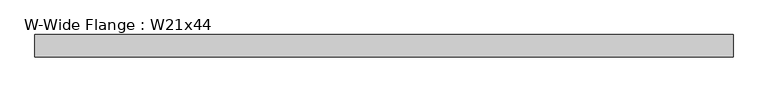
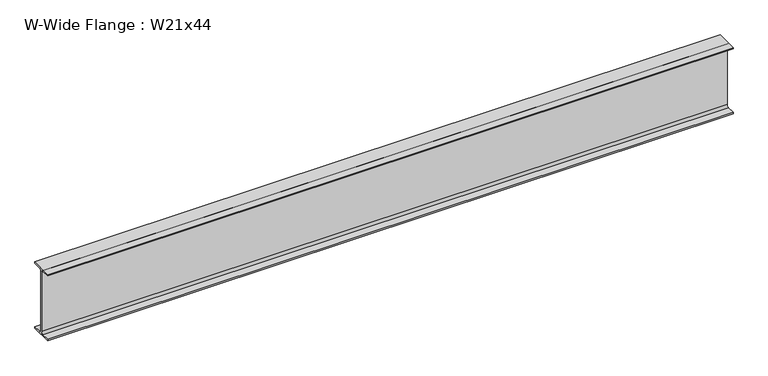
"""IFC4 building model written with IfcOpenShell, lengths in millimetres: beam geometry, W-Wide Flange : W21x44."""

import ifcopenshell
import ifcopenshell.guid

model = None  # the IFC model being written
_history = None  # IfcOwnerHistory: only IFC2X3 demands one
_inside = {}  # id of a spatial element -> (the spatial element, [elements in it])
_under = {}  # id of a project, library or spatial element -> (it, [spatial elements below it])
_declared = {}  # id of a project -> (the project, [libraries it declares])
_typed = {}  # id of a type object -> (the type object, [elements of that type])
_made_of = {}  # id of a material, layer set ... -> (it, [elements and type objects made of it])


def new_model(schema):
    """Start an empty IFC model of exactly this schema.

    Asked for "IFC4X3", IfcOpenShell would pick the latest addendum, in which some entities
    have other attributes; the version numbers below select the first issue.
    IFC2X3 requires an IfcOwnerHistory on every rooted entity: one is made here for all.
    """
    global model, _history
    if schema == "IFC4X3":
        model = ifcopenshell.file(schema_version=(4, 3, 0, 0))
    else:
        model = ifcopenshell.file(schema=schema)
    _inside.clear()
    _under.clear()
    _declared.clear()
    _typed.clear()
    _made_of.clear()
    _history = None
    if model.schema == "IFC2X3":
        org = make("IfcOrganization", Name="unknown")
        user = make(
            "IfcPersonAndOrganization",
            ThePerson=make("IfcPerson", FamilyName="unknown"),
            TheOrganization=org,
        )
        app = make(
            "IfcApplication",
            ApplicationDeveloper=org,
            Version="unknown",
            ApplicationFullName="unknown",
            ApplicationIdentifier="unknown",
        )
        _history = make(
            "IfcOwnerHistory",
            OwningUser=user,
            OwningApplication=app,
            ChangeAction="ADDED",
            CreationDate=0,
        )
    return model


def make(cls, **values):
    """One entity of the class cls with the attributes given. An attribute that is None is left unset."""
    return model.create_entity(
        cls, **{name: value for name, value in values.items() if value is not None}
    )


def rooted(cls, **values):
    """An entity with a GlobalId (a new one), such as an element, a storey or a relation."""
    return make(cls, GlobalId=ifcopenshell.guid.new(), OwnerHistory=_history, **values)


def si_unit(unit_type, name, prefix=None):
    """IfcSIUnit, for example si_unit("LENGTHUNIT", "METRE", prefix="MILLI")."""
    return make("IfcSIUnit", UnitType=unit_type, Prefix=prefix, Name=name)


def assignment(units):
    """IfcUnitAssignment: the units of a project."""
    return None if units is None else make("IfcUnitAssignment", Units=units)


def point(xyz):
    """IfcCartesianPoint."""
    return None if xyz is None else make("IfcCartesianPoint", Coordinates=xyz)


def direction(xyz):
    """IfcDirection."""
    return None if xyz is None else make("IfcDirection", DirectionRatios=xyz)


def frame(location, z_axis=None, x_axis=None):
    """IfcAxis2Placement3D, a coordinate frame: its origin and axes. An axis left out is left unset."""
    return make(
        "IfcAxis2Placement3D",
        Location=point(location),
        Axis=direction(z_axis),
        RefDirection=direction(x_axis),
    )


def frame_2d(location, x_axis=None):
    """IfcAxis2Placement2D, a coordinate frame in the plane: its origin and x axis."""
    return make(
        "IfcAxis2Placement2D", Location=point(location), RefDirection=direction(x_axis)
    )


def origin():
    """The frame at (0, 0, 0) with its axes left unset."""
    return frame((0.0, 0.0, 0.0))


def place(relative_to, where):
    """IfcLocalPlacement: puts the frame where relative to a parent placement (None: the world)."""
    return make(
        "IfcLocalPlacement", PlacementRelTo=relative_to, RelativePlacement=where
    )


def context(
    kind, dimensions, precision=None, world=None, true_north=None, identifier=None
):
    """IfcGeometricRepresentationContext, for example the 3D "Model" context."""
    return make(
        "IfcGeometricRepresentationContext",
        ContextIdentifier=identifier,
        ContextType=kind,
        CoordinateSpaceDimension=dimensions,
        Precision=precision,
        WorldCoordinateSystem=world,
        TrueNorth=true_north,
    )


def project(units=None, contexts=None):
    """IfcProject with its units and contexts."""
    return rooted(
        "IfcProject",
        Name="project",
        RepresentationContexts=contexts,
        UnitsInContext=assignment(units),
    )


def spatial(cls, under=None, at=None, **own):
    """A site, building, storey or space (cls), placed at a placement, below another one or the project."""
    s = rooted(cls, ObjectPlacement=at, **own)
    if under is not None:
        _under.setdefault(under.id(), (under, []))[1].append(s)
    return s


def polyline(points):
    """IfcPolyline through the points."""
    return make("IfcPolyline", Points=[point(p) for p in points])


def circle_curve(where, radius):
    """IfcCircle in the frame where."""
    return make("IfcCircle", Position=where, Radius=radius)


def trimmed(basis, trim1, trim2, sense, master):
    """IfcTrimmedCurve: the piece of a basis curve between two trims."""
    return make(
        "IfcTrimmedCurve",
        BasisCurve=basis,
        Trim1=trim1,
        Trim2=trim2,
        SenseAgreement=sense,
        MasterRepresentation=master,
    )


def segment(curve, same_sense, transition):
    """IfcCompositeCurveSegment."""
    return make(
        "IfcCompositeCurveSegment",
        Transition=transition,
        SameSense=same_sense,
        ParentCurve=curve,
    )


def composite_curve(segments, self_intersect=None):
    """IfcCompositeCurve: segments joined end to end."""
    return make("IfcCompositeCurve", Segments=segments, SelfIntersect=self_intersect)


def outline(outer, holes=None, kind="AREA"):
    """IfcArbitraryClosedProfileDef: a profile drawn as a closed curve; with holes, ...WithVoids."""
    if holes is None:
        return make("IfcArbitraryClosedProfileDef", ProfileType=kind, OuterCurve=outer)
    return make(
        "IfcArbitraryProfileDefWithVoids",
        ProfileType=kind,
        OuterCurve=outer,
        InnerCurves=holes,
    )


def extrude(swept, where, along, depth):
    """IfcExtrudedAreaSolid: the profile swept, set in the frame where, extruded along a direction by depth."""
    return make(
        "IfcExtrudedAreaSolid",
        SweptArea=swept,
        Position=where,
        ExtrudedDirection=direction(along),
        Depth=depth,
    )


def shape(context_of_items, identifier, shape_type, items):
    """IfcShapeRepresentation: the items that make up one representation, for example the "Body"."""
    return make(
        "IfcShapeRepresentation",
        ContextOfItems=context_of_items,
        RepresentationIdentifier=identifier,
        RepresentationType=shape_type,
        Items=items,
    )


def source(mapping_origin, context_of_items, identifier, shape_type, items):
    """IfcRepresentationMap: a shape defined once, which mapped items show again and again."""
    return make(
        "IfcRepresentationMap",
        MappingOrigin=mapping_origin,
        MappedRepresentation=shape(context_of_items, identifier, shape_type, items),
    )


def transform(
    local_origin,
    x_axis=None,
    y_axis=None,
    z_axis=None,
    scale=None,
    scale2=None,
    scale3=None,
    uniform=True,
):
    """IfcCartesianTransformationOperator3D, or its non-uniform kind. x_axis, y_axis, z_axis: its Axis1, 2, 3."""
    if uniform:
        return make(
            "IfcCartesianTransformationOperator3D",
            Axis1=direction(x_axis),
            Axis2=direction(y_axis),
            LocalOrigin=point(local_origin),
            Scale=scale,
            Axis3=direction(z_axis),
        )
    return make(
        "IfcCartesianTransformationOperator3DnonUniform",
        Axis1=direction(x_axis),
        Axis2=direction(y_axis),
        LocalOrigin=point(local_origin),
        Scale=scale,
        Axis3=direction(z_axis),
        Scale2=scale2,
        Scale3=scale3,
    )


def mapped(mapping_source, mapping_target):
    """IfcMappedItem: shows the shape of a source again, moved by a transform."""
    return make(
        "IfcMappedItem", MappingSource=mapping_source, MappingTarget=mapping_target
    )


def made_of(thing, what):
    """Note that an element or type object is made of a material, layer set ...; save() writes the relation."""
    if what is not None:
        _made_of.setdefault(what.id(), (what, []))[1].append(thing)
    return thing


def element(
    cls,
    number,
    at=None,
    inside=None,
    cuts=None,
    type_object=None,
    material=None,
    context=None,
    identifier="Body",
    shape_type=None,
    held_by="IfcProductDefinitionShape",
    body=None,
    shapes=None,
    **own,
):
    """One element of the class cls, such as IfcWall. Its Tag is "e" and its number.

    at: its placement. inside: the storey or other place that contains it. cuts: it is an
    opening in that element (IfcRelVoidsElement). A single representation is given by context,
    identifier, shape_type and body (its items); several are given by shapes. held_by: the class
    of the entity that holds the representations. save() writes the other relations.
    """
    e = rooted(cls, Tag="e%d" % number, ObjectPlacement=at, **own)
    if body is not None:
        shapes = [shape(context, identifier, shape_type, body)]
    if shapes is not None:
        e.Representation = make(held_by, Representations=shapes)
    if inside is not None:
        _inside.setdefault(inside.id(), (inside, []))[1].append(e)
    if cuts is not None:
        rooted(
            "IfcRelVoidsElement", RelatingBuildingElement=cuts, RelatedOpeningElement=e
        )
    if type_object is not None:
        _typed.setdefault(type_object.id(), (type_object, []))[1].append(e)
    return made_of(e, material)


def aggregate(whole, parts):
    """IfcRelAggregates: a whole, such as a stair, and the parts it consists of."""
    return rooted("IfcRelAggregates", RelatingObject=whole, RelatedObjects=parts)


def save(model, path):
    """Write the relations noted so far, then the file.

    IfcRelAggregates (storeys below a building ...), IfcRelContainedInSpatialStructure (elements
    in a storey), IfcRelDefinesByType, IfcRelAssociatesMaterial and IfcRelDeclares: one each for
    every whole, place, type object, material and project.
    """
    for whole, parts in _under.values():
        aggregate(whole, parts)
    for where, things in _inside.values():
        rooted(
            "IfcRelContainedInSpatialStructure",
            RelatedElements=things,
            RelatingStructure=where,
        )
    for kind, things in _typed.values():
        rooted("IfcRelDefinesByType", RelatedObjects=things, RelatingType=kind)
    for what, things in _made_of.values():
        rooted("IfcRelAssociatesMaterial", RelatedObjects=things, RelatingMaterial=what)
    for by, libraries in _declared.values():
        rooted("IfcRelDeclares", RelatingContext=by, RelatedDefinitions=libraries)
    model.write(path)


def w_wide_flange_w21x44_53ecafdf(model_context):
    return source(origin(), model_context, "Body", "SweptSolid", [
        extrude(outline(composite_curve([segment(polyline([(82.55, -251.46), (82.55, -262.89), (-82.55, -262.89), (-82.55, -251.46), (-21.59, -251.46)]), True, "CONTINUOUS"), segment(trimmed(circle_curve(frame_2d((-21.59, -234.315)), 17.145), [point((-21.59, -251.46))], [point((-4.445, -234.315))], True, "CARTESIAN"), True, "CONTINUOUS"), segment(polyline([(-4.445, -234.315), (-4.445, 234.315)]), True, "CONTINUOUS"), segment(trimmed(circle_curve(frame_2d((-21.59, 234.315)), 17.145), [point((-4.445, 234.315))], [point((-21.59, 251.46))], True, "CARTESIAN"), True, "CONTINUOUS"), segment(polyline([(-21.59, 251.46), (-82.55, 251.46), (-82.55, 262.89), (82.55, 262.89), (82.55, 251.46), (21.59, 251.46)]), True, "CONTINUOUS"), segment(trimmed(circle_curve(frame_2d((21.59, 234.315)), 17.145), [point((21.59, 251.46))], [point((4.445, 234.315))], True, "CARTESIAN"), True, "CONTINUOUS"), segment(polyline([(4.445, 234.315), (4.445, -234.315)]), True, "CONTINUOUS"), segment(trimmed(circle_curve(frame_2d((21.59, -234.315)), 17.145), [point((4.445, -234.315))], [point((21.59, -251.46))], True, "CARTESIAN"), True, "CONTINUOUS"), segment(polyline([(21.59, -251.46), (82.55, -251.46)]), True, "CONTINUOUS")], self_intersect=False)), frame((-2566.67, 0.0, 0.0), z_axis=(1.0, 0.0, 0.0), x_axis=(0.0, 1.0, 0.0)), (0.0, 0.0, 1.0), 5143.5),
    ])


if __name__ == "__main__":
    model = new_model("IFC4")
    model_context = context("Model", 3, world=origin())
    ifc_project = project(units=[si_unit("LENGTHUNIT", "METRE", prefix="MILLI")], contexts=[model_context])
    site = spatial("IfcSite", under=ifc_project)
    building = spatial("IfcBuilding", under=site)
    placement = place(None, origin())
    w_wide_flange_w21x44_shape = w_wide_flange_w21x44_53ecafdf(model_context)
    element("IfcBeam", 1, ObjectType="W-Wide Flange : W21x44", at=placement, inside=building, context=model_context, shape_type="MappedRepresentation", body=[
        mapped(w_wide_flange_w21x44_shape, transform((0.0, 0.0, 0.0), x_axis=(1.0, 0.0, 0.0), y_axis=(0.0, 1.0, 0.0), z_axis=(0.0, 0.0, 1.0))),
    ])
    save(model, "model.ifc")
